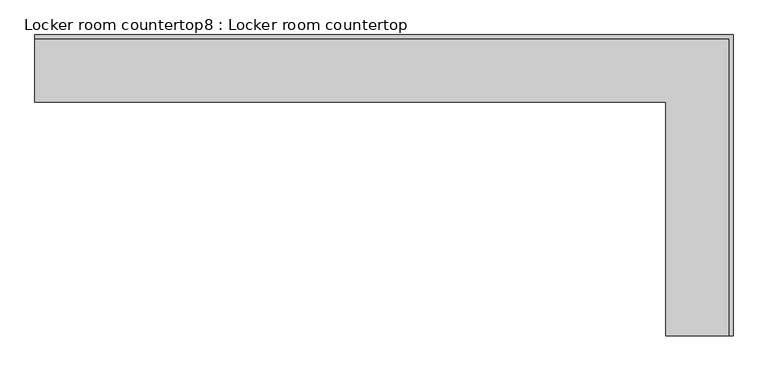
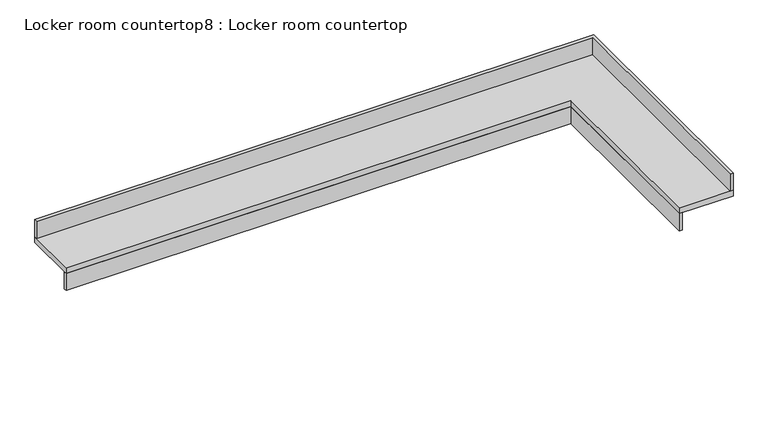
"""IFC4 building model written with IfcOpenShell, lengths in millimetres: furniture geometry, Locker room countertop8 : Locker room countertop."""

from ifc_helpers import new_model, si_unit, frame, origin, place, context, project, spatial, polyline, outline, extrude, source, transform, mapped, element, save


def locker_room_countertop8_locker_room_countertop_ff62c0ab(model_context):
    return source(origin(), model_context, "Body", "SweptSolid", [
        extrude(outline(polyline([(458783.7987259, -328024.3455223), (454516.5987259, -328024.3455223), (454516.5987259, -327998.9455223), (458809.1987259, -327998.9455223), (458809.1987259, -329607.0830223), (458783.7987259, -329607.0830223), (458783.7987259, -328024.3455223)])), frame((0.0, 0.0, 660.4), z_axis=(0.0, 0.0, 1.0), x_axis=(1.0, 0.0, 0.0)), (0.0, 0.0, 1.0), 152.4),
        extrude(outline(polyline([(454516.5987259, -327592.5455223), (454516.5987259, -327567.1455223), (459240.9987259, -327567.1455223), (459240.9987259, -329607.0830223), (459215.5987259, -329607.0830223), (459215.5987259, -327592.5455223), (454516.5987259, -327592.5455223)])), frame((0.0, 0.0, 863.6), z_axis=(0.0, 0.0, 1.0), x_axis=(1.0, 0.0, 0.0)), (0.0, 0.0, 1.0), 152.4),
        extrude(outline(polyline([(454516.5987259, -328024.3455223), (454516.5987259, -327567.1455223), (459240.9987259, -327567.1455223), (459240.9987259, -329607.0830223), (458783.7987259, -329607.0830223), (458783.7987259, -328024.3455223), (454516.5987259, -328024.3455223)])), frame((0.0, 0.0, 812.8), z_axis=(0.0, 0.0, 1.0), x_axis=(1.0, 0.0, 0.0)), (0.0, 0.0, 1.0), 50.8),
    ])


if __name__ == "__main__":
    model = new_model("IFC4")
    model_context = context("Model", 3, world=origin())
    ifc_project = project(units=[si_unit("LENGTHUNIT", "METRE", prefix="MILLI")], contexts=[model_context])
    site = spatial("IfcSite", under=ifc_project)
    building = spatial("IfcBuilding", under=site)
    placement = place(None, origin())
    locker_room_countertop8_locker_room_countertop_shape = locker_room_countertop8_locker_room_countertop_ff62c0ab(model_context)
    element("IfcFurniture", 1, ObjectType="Locker room countertop8 : Locker room countertop", at=placement, inside=building, context=model_context, shape_type="MappedRepresentation", body=[
        mapped(locker_room_countertop8_locker_room_countertop_shape, transform((0.0, 0.0, 0.0), x_axis=(1.0, 0.0, 0.0), y_axis=(0.0, 1.0, 0.0), z_axis=(0.0, 0.0, 1.0))),
    ])
    save(model, "model.ifc")
